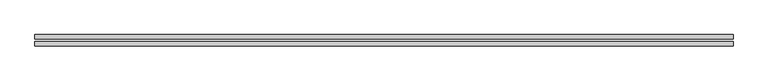
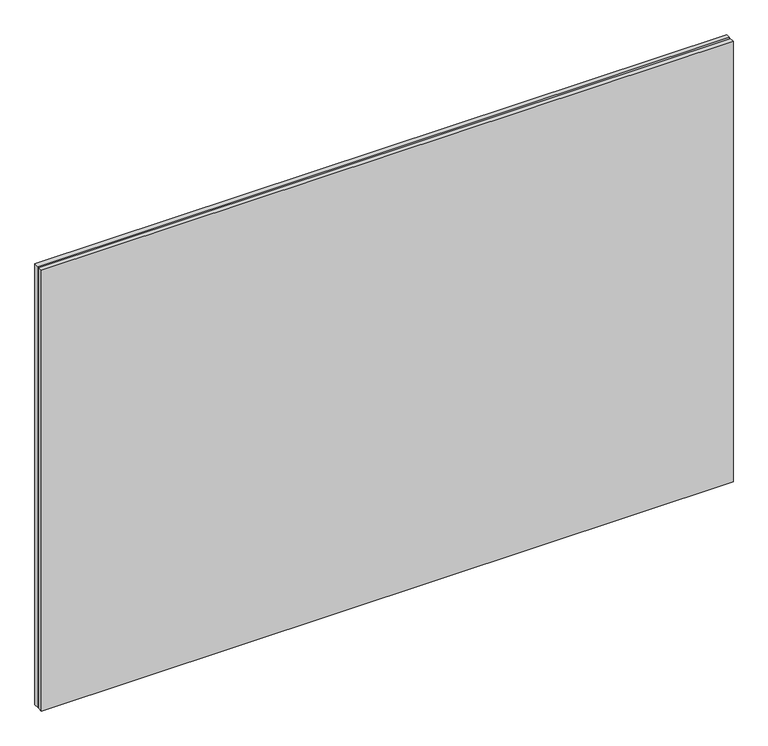
"""IFC4 building model written with IfcOpenShell, lengths in millimetres: plate geometry."""

from ifc_helpers import new_model, si_unit, origin, origin_with_axes, place, context, project, spatial, polyline, outline, extrude, source, transform, mapped, element, save


def plate_55e37c4d(model_context):
    return source(origin(), model_context, "Body", "SweptSolid", [
        extrude(outline(polyline([(612.5, -2.0), (612.5, -10.0), (-612.5, -10.0), (-612.5, -2.0), (612.5, -2.0)])), origin_with_axes(), (0.0, 0.0, 1.0), 825.0),
        extrude(outline(polyline([(612.5, 2.0), (-612.5, 2.0), (-612.5, 10.0), (612.5, 10.0), (612.5, 2.0)])), origin_with_axes(), (0.0, 0.0, 1.0), 825.0),
    ])


if __name__ == "__main__":
    model = new_model("IFC4")
    model_context = context("Model", 3, world=origin())
    ifc_project = project(units=[si_unit("LENGTHUNIT", "METRE", prefix="MILLI")], contexts=[model_context])
    site = spatial("IfcSite", under=ifc_project)
    building = spatial("IfcBuilding", under=site)
    placement = place(None, origin())
    plate_shape = plate_55e37c4d(model_context)
    element("IfcPlate", 1, at=placement, inside=building, context=model_context, shape_type="MappedRepresentation", body=[
        mapped(plate_shape, transform((0.0, 0.0, 0.0), x_axis=(1.0, 0.0, 0.0), y_axis=(0.0, 1.0, 0.0), z_axis=(0.0, 0.0, 1.0))),
    ])
    save(model, "model.ifc")
